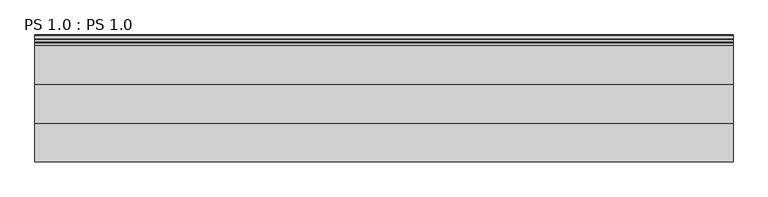
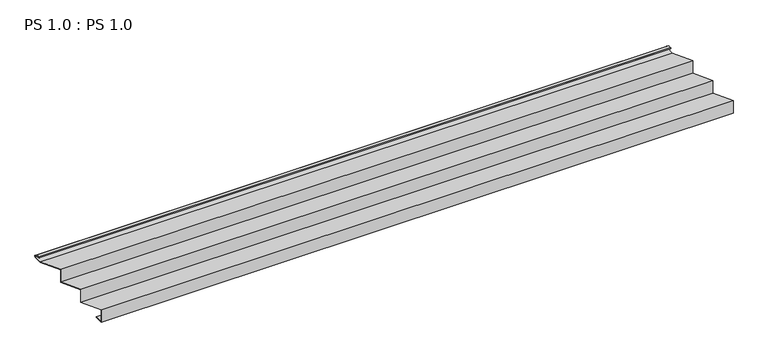
"""IFC4 building model written with IfcOpenShell, lengths in millimetres: proxy geometry, PS 1.0 : PS 1.0."""

from ifc_helpers import new_model, si_unit, point, frame, frame_2d, origin, place, context, project, spatial, polyline, circle_curve, trimmed, segment, composite_curve, outline, extrude, source, transform, mapped, element, save


def ps_1_0_ps_1_0_85b9ab91(model_context):
    return source(origin(), model_context, "Body", "SweptSolid", [
        extrude(outline(composite_curve([segment(polyline([(0.0, 0.0), (0.0, 38.0), (100.0, 0.0), (100.0, 38.0), (200.0, 0.0), (200.0, 38.0), (299.9966446, 0.0), (325.0510156, 0.0)]), True, "CONTINUOUS"), segment(trimmed(circle_curve(frame_2d((324.3094696, 1.9153551)), 2.0538928), [point((325.0510156, 0.0))], [point((325.1748462, 3.778041))], True, "CARTESIAN"), True, "CONTINUOUS"), segment(polyline([(325.1748462, 3.778041), (308.7874714, 6.923107)]), True, "CONTINUOUS"), segment(trimmed(circle_curve(frame_2d((309.4078886, 8.6005442)), 1.7884947), [point((308.7874714, 6.923107))], [point((308.9525789, 10.3301125))], False, "CARTESIAN"), True, "CONTINUOUS"), segment(polyline([(308.9525789, 10.3301125), (316.459338, 11.6715995), (316.635255, 10.6871945), (309.1762081, 9.3542338)]), True, "CONTINUOUS"), segment(trimmed(circle_curve(frame_2d((309.4078886, 8.6005442)), 0.7884947), [point((309.1762081, 9.3542338))], [point((309.0735117, 7.8864603))], True, "CARTESIAN"), True, "CONTINUOUS"), segment(polyline([(309.0735117, 7.8864603), (325.4722719, 4.7392091)]), True, "CONTINUOUS"), segment(trimmed(circle_curve(frame_2d((324.3094696, 1.9153551)), 3.0538928), [point((325.4722719, 4.7392091))], [point((325.2188462, -1.0))], False, "CARTESIAN"), True, "CONTINUOUS"), segment(polyline([(325.2188462, -1.0), (299.8130433, -1.0), (201.0, 36.5502164), (201.0, -1.4497663), (101.0, 36.5502337), (101.0, -1.4497663), (1.0, 36.5502337), (1.0, 1.0), (25.0, 1.0), (25.0, 0.0), (0.0, 0.0)]), True, "CONTINUOUS")], self_intersect=False)), frame((0.0, 0.0, 0.0), z_axis=(1.0, 0.0, 0.0), x_axis=(0.0, 1.0, 0.0)), (0.0, 0.0, 1.0), 1800.0),
    ])


if __name__ == "__main__":
    model = new_model("IFC4")
    model_context = context("Model", 3, world=origin())
    ifc_project = project(units=[si_unit("LENGTHUNIT", "METRE", prefix="MILLI")], contexts=[model_context])
    site = spatial("IfcSite", under=ifc_project)
    building = spatial("IfcBuilding", under=site)
    placement = place(None, origin())
    ps_1_0_ps_1_0_shape = ps_1_0_ps_1_0_85b9ab91(model_context)
    element("IfcBuildingElementProxy", 1, Name="PS 1.0 : PS 1.0", ObjectType="PS 1.0 : PS 1.0", at=placement, inside=building, context=model_context, shape_type="MappedRepresentation", body=[
        mapped(ps_1_0_ps_1_0_shape, transform((0.0, 0.0, 0.0), x_axis=(1.0, 0.0, 0.0), y_axis=(0.0, 1.0, 0.0), z_axis=(0.0, 0.0, 1.0))),
    ])
    save(model, "model.ifc")
